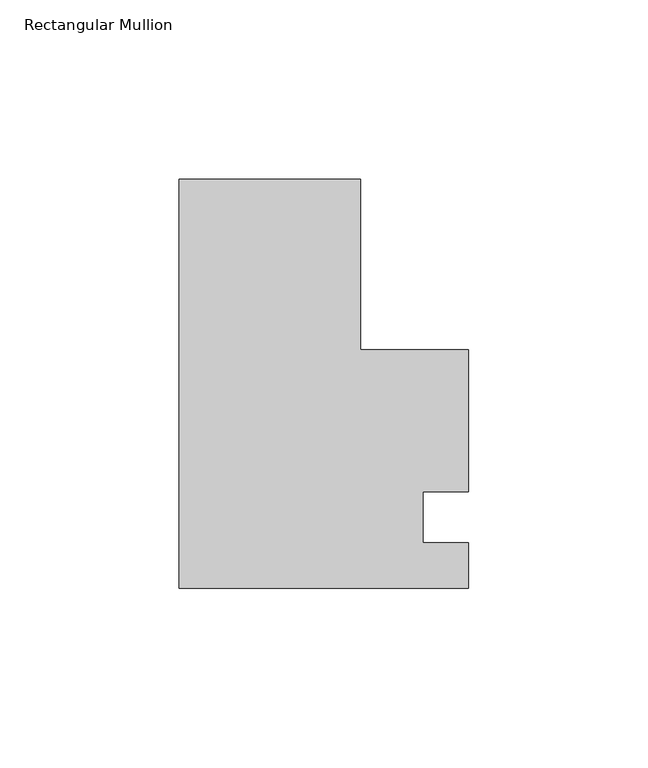
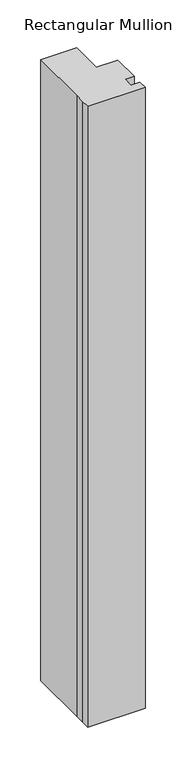
"""IFC4 building model written with IfcOpenShell, lengths in millimetres: member geometry, Rectangular Mullion."""

from ifc_helpers import new_model, si_unit, frame, origin, place, context, project, spatial, polyline, outline, extrude, source, transform, mapped, element, save


def rectangular_mullion_320c15a9(model_context):
    return source(origin(), model_context, "Body", "SweptSolid", [
        extrude(outline(polyline([(29.7344027, 94.45625), (29.7344027, 46.8394015), (59.8880127, 46.8394015), (59.8880127, 7.14375), (47.1862422, 7.14375), (47.1862422, -7.14375), (59.8880127, -7.14375), (59.8880127, -19.84375), (-21.0655973, -19.84375), (-21.0655973, -7.14375), (-21.0655973, 7.14375), (-21.0655973, 94.45625), (29.7344027, 94.45625)])), frame((0.0, 0.0, -925.9405973), z_axis=(0.0, 0.0, 1.0), x_axis=(1.0, 0.0, 0.0)), (0.0, 0.0, 1.0), 925.9405973),
    ])


if __name__ == "__main__":
    model = new_model("IFC4")
    model_context = context("Model", 3, world=origin())
    ifc_project = project(units=[si_unit("LENGTHUNIT", "METRE", prefix="MILLI")], contexts=[model_context])
    site = spatial("IfcSite", under=ifc_project)
    building = spatial("IfcBuilding", under=site)
    placement = place(None, origin())
    rectangular_mullion_shape = rectangular_mullion_320c15a9(model_context)
    element("IfcMember", 1, ObjectType="Rectangular Mullion", at=placement, inside=building, context=model_context, shape_type="MappedRepresentation", body=[
        mapped(rectangular_mullion_shape, transform((0.0, 0.0, 0.0), x_axis=(1.0, 0.0, 0.0), y_axis=(0.0, 1.0, 0.0), z_axis=(0.0, 0.0, 1.0))),
    ])
    save(model, "model.ifc")
